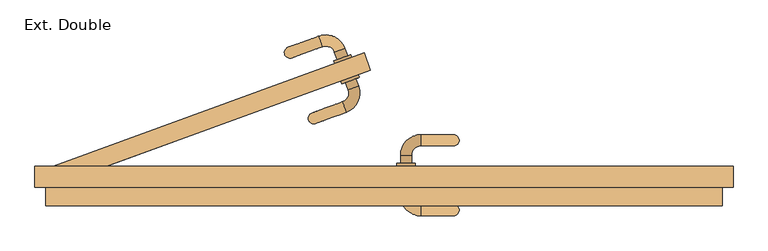
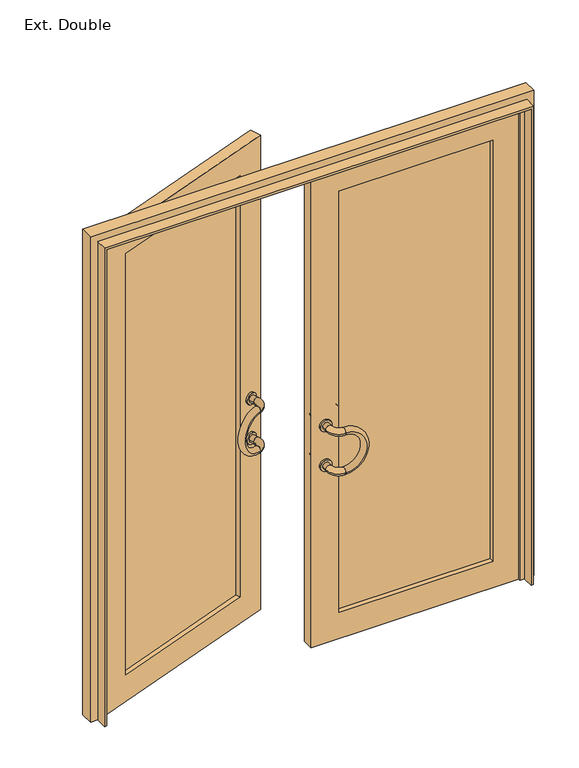
"""IFC4 building model written with IfcOpenShell, lengths in millimetres: door geometry, Ext. Double."""

from ifc_helpers import new_model, si_unit, point, frame, origin, place, context, project, spatial, polyline, circle_curve, ellipse_curve, trimmed, outline, extrude, faceted_brep, source, transform, mapped, element, save
from ifc_brep_helpers import plane_surface, cylinder_surface, revolved_surface, advanced_brep


def ext_double_711540b7(model_context):
    return source(origin(), model_context, "Body", "SolidModel", [
        advanced_brep(
        [(35.0, 213.0, 990.0), (65.0, 213.0, 990.0), (90.0, 268.0, 990.0), (90.0, 238.0, 990.0)],
        [
            (0, 1, circle_curve(frame((50.0, 213.0, 990.0), z_axis=(0.0, -1.0, 0.0), x_axis=(1.0, 0.0, 0.0)), 15.0)),
            (1, 0, circle_curve(frame((50.0, 213.0, 990.0), z_axis=(0.0, -1.0, 0.0), x_axis=(1.0, 0.0, 0.0)), 15.0)),
            (2, 3, circle_curve(frame((90.0, 253.0, 990.0), z_axis=(1.0, 0.0, 0.0), x_axis=(0.0, -1.0, 0.0)), 15.0)),
            (3, 2, circle_curve(frame((90.0, 253.0, 990.0), z_axis=(1.0, 0.0, 0.0), x_axis=(0.0, -1.0, 0.0)), 15.0)),
            (2, 0, circle_curve(frame((90.0, 213.0, 990.0), z_axis=(0.0, 0.0, 1.0), x_axis=(-1.0, 0.0, 0.0)), 55.0)),
            (1, 3, circle_curve(frame((90.0, 213.0, 990.0), z_axis=(0.0, 0.0, -1.0), x_axis=(-1.0, 0.0, 0.0)), 25.0)),
        ],
        [
            plane_surface(frame((90.0, 213.0, 990.0), z_axis=(0.0, -1.0, 0.0), x_axis=(-1.0, 0.0, 0.0))),
            plane_surface(frame((90.0, 213.0, 990.0), z_axis=(1.0, 0.0, 0.0), x_axis=(0.0, 1.0, 0.0))),
            revolved_surface(trimmed(ellipse_curve(frame((50.0, 213.0, 990.0), z_axis=(0.0, 1.0, 0.0), x_axis=(1.0, 0.0, 0.0)), 15.0, 15.0), [point((35.0, 213.0, 990.0))], [point((65.0, 213.0, 990.0))], True, "CARTESIAN"), (90.0, 213.0, 990.0), (0.0, 0.0, 1.0)),
            revolved_surface(trimmed(ellipse_curve(frame((50.0, 213.0, 990.0), z_axis=(0.0, 1.0, 0.0), x_axis=(1.0, 0.0, 0.0)), 15.0, 15.0), [point((65.0, 213.0, 990.0))], [point((35.0, 213.0, 990.0))], True, "CARTESIAN"), (90.0, 213.0, 990.0), (0.0, 0.0, 1.0)),
        ],
        [
            (0, [[1, 2]]),
            (1, [[3, 4]]),
            (2, [[-3, 5, -2, 6]]),
            (3, [[-4, -6, -1, -5]]),
        ],
    ),
        advanced_brep(
        [(35.0, 213.0, 810.0), (65.0, 213.0, 810.0), (90.0, 268.0, 810.0), (90.0, 238.0, 810.0)],
        [
            (0, 1, circle_curve(frame((50.0, 213.0, 810.0), z_axis=(0.0, -1.0, 0.0), x_axis=(1.0, 0.0, 0.0)), 15.0)),
            (1, 0, circle_curve(frame((50.0, 213.0, 810.0), z_axis=(0.0, -1.0, 0.0), x_axis=(1.0, 0.0, 0.0)), 15.0)),
            (2, 3, circle_curve(frame((90.0, 253.0, 810.0), z_axis=(1.0, 0.0, 0.0), x_axis=(0.0, -1.0, 0.0)), 15.0)),
            (3, 2, circle_curve(frame((90.0, 253.0, 810.0), z_axis=(1.0, 0.0, 0.0), x_axis=(0.0, -1.0, 0.0)), 15.0)),
            (2, 0, circle_curve(frame((90.0, 213.0, 810.0), z_axis=(0.0, 0.0, 1.0), x_axis=(-1.0, 0.0, 0.0)), 55.0)),
            (1, 3, circle_curve(frame((90.0, 213.0, 810.0), z_axis=(0.0, 0.0, -1.0), x_axis=(-1.0, 0.0, 0.0)), 25.0)),
        ],
        [
            plane_surface(frame((90.0, 213.0, 990.0), z_axis=(0.0, -1.0, 0.0), x_axis=(-1.0, 0.0, 0.0))),
            plane_surface(frame((90.0, 213.0, 990.0), z_axis=(1.0, 0.0, 0.0), x_axis=(0.0, 1.0, 0.0))),
            revolved_surface(trimmed(ellipse_curve(frame((50.0, 213.0, 810.0), z_axis=(0.0, 1.0, 0.0), x_axis=(1.0, 0.0, 0.0)), 15.0, 15.0), [point((35.0, 213.0, 810.0))], [point((65.0, 213.0, 810.0))], True, "CARTESIAN"), (90.0, 213.0, 990.0), (0.0, 0.0, 1.0)),
            revolved_surface(trimmed(ellipse_curve(frame((50.0, 213.0, 810.0), z_axis=(0.0, 1.0, 0.0), x_axis=(1.0, 0.0, 0.0)), 15.0, 15.0), [point((65.0, 213.0, 810.0))], [point((35.0, 213.0, 810.0))], True, "CARTESIAN"), (90.0, 213.0, 990.0), (0.0, 0.0, 1.0)),
        ],
        [
            (0, [[1, 2]]),
            (1, [[3, 4]]),
            (2, [[-3, 5, -2, 6]]),
            (3, [[-4, -6, -1, -5]]),
        ],
    ),
        advanced_brep(
        [(90.0, 238.0, 990.0), (90.0, 268.0, 990.0), (90.0, 238.0, 810.0), (90.0, 268.0, 810.0)],
        [
            (0, 1, circle_curve(frame((90.0, 253.0, 990.0), z_axis=(-1.0, 0.0, 0.0), x_axis=(0.0, 1.0, 0.0)), 15.0)),
            (1, 0, circle_curve(frame((90.0, 253.0, 990.0), z_axis=(-1.0, 0.0, 0.0), x_axis=(0.0, 1.0, 0.0)), 15.0)),
            (2, 3, circle_curve(frame((90.0, 253.0, 810.0), z_axis=(-1.0, 0.0, 0.0), x_axis=(0.0, 1.0, 0.0)), 15.0)),
            (3, 2, circle_curve(frame((90.0, 253.0, 810.0), z_axis=(-1.0, 0.0, 0.0), x_axis=(0.0, 1.0, 0.0)), 15.0)),
            (2, 0, circle_curve(frame((90.0, 238.0, 900.0), z_axis=(0.0, -1.0, 0.0), x_axis=(0.0, 0.0, 1.0)), 90.0)),
            (1, 3, circle_curve(frame((90.0, 268.0, 900.0), z_axis=(0.0, 1.0, 0.0), x_axis=(0.0, 0.0, 1.0)), 90.0)),
        ],
        [
            plane_surface(frame((90.0, 268.0, 900.0), z_axis=(-1.0, 0.0, 0.0), x_axis=(0.0, 0.0, 1.0))),
            plane_surface(frame((90.0, 268.0, 900.0), z_axis=(-1.0, 0.0, 0.0), x_axis=(0.0, 0.0, -1.0))),
            revolved_surface(trimmed(ellipse_curve(frame((90.0, 253.0, 990.0), z_axis=(1.0, 0.0, 0.0), x_axis=(0.0, 1.0, 0.0)), 15.0, 15.0), [point((90.0, 238.0, 990.0))], [point((90.0, 268.0, 990.0))], True, "CARTESIAN"), (90.0, 268.0, 900.0), (0.0, -1.0, 0.0)),
            revolved_surface(trimmed(ellipse_curve(frame((90.0, 253.0, 990.0), z_axis=(1.0, 0.0, 0.0), x_axis=(0.0, 1.0, 0.0)), 15.0, 15.0), [point((90.0, 268.0, 990.0))], [point((90.0, 238.0, 990.0))], True, "CARTESIAN"), (90.0, 268.0, 900.0), (0.0, -1.0, 0.0)),
        ],
        [
            (0, [[1, 2]]),
            (1, [[3, 4]]),
            (2, [[-3, 5, -2, 6]]),
            (3, [[-4, -6, -1, -5]]),
        ],
    ),
        advanced_brep(
        [(65.0, 103.0, 990.0), (35.0, 103.0, 990.0), (90.0, 78.0, 990.0), (90.0, 48.0, 990.0)],
        [
            (0, 1, circle_curve(frame((50.0, 103.0, 990.0), z_axis=(0.0, 1.0, 0.0), x_axis=(-1.0, 0.0, 0.0)), 15.0)),
            (1, 0, circle_curve(frame((50.0, 103.0, 990.0), z_axis=(0.0, 1.0, 0.0), x_axis=(-1.0, 0.0, 0.0)), 15.0)),
            (2, 3, circle_curve(frame((90.0, 63.0, 990.0), z_axis=(1.0, 0.0, 0.0), x_axis=(0.0, -1.0, 0.0)), 15.0)),
            (3, 2, circle_curve(frame((90.0, 63.0, 990.0), z_axis=(1.0, 0.0, 0.0), x_axis=(0.0, -1.0, 0.0)), 15.0)),
            (2, 0, circle_curve(frame((90.0, 103.0, 990.0), z_axis=(0.0, 0.0, -1.0), x_axis=(-1.0, 0.0, 0.0)), 25.0)),
            (1, 3, circle_curve(frame((90.0, 103.0, 990.0), z_axis=(0.0, 0.0, 1.0), x_axis=(-1.0, 0.0, 0.0)), 55.0)),
        ],
        [
            plane_surface(frame((90.0, 103.0, 990.0), z_axis=(0.0, 1.0, 0.0), x_axis=(-1.0, 0.0, 0.0))),
            plane_surface(frame((90.0, 103.0, 990.0), z_axis=(1.0, 0.0, 0.0), x_axis=(0.0, -1.0, 0.0))),
            revolved_surface(trimmed(ellipse_curve(frame((50.0, 103.0, 990.0), z_axis=(0.0, -1.0, 0.0), x_axis=(-1.0, 0.0, 0.0)), 15.0, 15.0), [point((65.0, 103.0, 990.0))], [point((35.0, 103.0, 990.0))], True, "CARTESIAN"), (90.0, 103.0, 990.0), (0.0, 0.0, -1.0)),
            revolved_surface(trimmed(ellipse_curve(frame((50.0, 103.0, 990.0), z_axis=(0.0, -1.0, 0.0), x_axis=(-1.0, 0.0, 0.0)), 15.0, 15.0), [point((35.0, 103.0, 990.0))], [point((65.0, 103.0, 990.0))], True, "CARTESIAN"), (90.0, 103.0, 990.0), (0.0, 0.0, -1.0)),
        ],
        [
            (0, [[1, 2]]),
            (1, [[3, 4]]),
            (2, [[-3, 5, -2, 6]]),
            (3, [[-4, -6, -1, -5]]),
        ],
    ),
        advanced_brep(
        [(65.0, 103.0, 810.0), (35.0, 103.0, 810.0), (90.0, 78.0, 810.0), (90.0, 48.0, 810.0)],
        [
            (0, 1, circle_curve(frame((50.0, 103.0, 810.0), z_axis=(0.0, 1.0, 0.0), x_axis=(-1.0, 0.0, 0.0)), 15.0)),
            (1, 0, circle_curve(frame((50.0, 103.0, 810.0), z_axis=(0.0, 1.0, 0.0), x_axis=(-1.0, 0.0, 0.0)), 15.0)),
            (2, 3, circle_curve(frame((90.0, 63.0, 810.0), z_axis=(1.0, 0.0, 0.0), x_axis=(0.0, -1.0, 0.0)), 15.0)),
            (3, 2, circle_curve(frame((90.0, 63.0, 810.0), z_axis=(1.0, 0.0, 0.0), x_axis=(0.0, -1.0, 0.0)), 15.0)),
            (2, 0, circle_curve(frame((90.0, 103.0, 810.0), z_axis=(0.0, 0.0, -1.0), x_axis=(-1.0, 0.0, 0.0)), 25.0)),
            (1, 3, circle_curve(frame((90.0, 103.0, 810.0), z_axis=(0.0, 0.0, 1.0), x_axis=(-1.0, 0.0, 0.0)), 55.0)),
        ],
        [
            plane_surface(frame((90.0, 103.0, 990.0), z_axis=(0.0, 1.0, 0.0), x_axis=(-1.0, 0.0, 0.0))),
            plane_surface(frame((90.0, 103.0, 990.0), z_axis=(1.0, 0.0, 0.0), x_axis=(0.0, -1.0, 0.0))),
            revolved_surface(trimmed(ellipse_curve(frame((50.0, 103.0, 810.0), z_axis=(0.0, -1.0, 0.0), x_axis=(-1.0, 0.0, 0.0)), 15.0, 15.0), [point((65.0, 103.0, 810.0))], [point((35.0, 103.0, 810.0))], True, "CARTESIAN"), (90.0, 103.0, 990.0), (0.0, 0.0, -1.0)),
            revolved_surface(trimmed(ellipse_curve(frame((50.0, 103.0, 810.0), z_axis=(0.0, -1.0, 0.0), x_axis=(-1.0, 0.0, 0.0)), 15.0, 15.0), [point((35.0, 103.0, 810.0))], [point((65.0, 103.0, 810.0))], True, "CARTESIAN"), (90.0, 103.0, 990.0), (0.0, 0.0, -1.0)),
        ],
        [
            (0, [[1, 2]]),
            (1, [[3, 4]]),
            (2, [[-3, 5, -2, 6]]),
            (3, [[-4, -6, -1, -5]]),
        ],
    ),
        advanced_brep(
        [(90.0, 48.0, 990.0), (90.0, 78.0, 990.0), (90.0, 48.0, 810.0), (90.0, 78.0, 810.0)],
        [
            (0, 1, circle_curve(frame((90.0, 63.0, 990.0), z_axis=(-1.0, 0.0, 0.0), x_axis=(0.0, 1.0, 0.0)), 15.0)),
            (1, 0, circle_curve(frame((90.0, 63.0, 990.0), z_axis=(-1.0, 0.0, 0.0), x_axis=(0.0, 1.0, 0.0)), 15.0)),
            (2, 3, circle_curve(frame((90.0, 63.0, 810.0), z_axis=(-1.0, 0.0, 0.0), x_axis=(0.0, 1.0, 0.0)), 15.0)),
            (3, 2, circle_curve(frame((90.0, 63.0, 810.0), z_axis=(-1.0, 0.0, 0.0), x_axis=(0.0, 1.0, 0.0)), 15.0)),
            (2, 0, circle_curve(frame((90.0, 48.0, 900.0), z_axis=(0.0, -1.0, 0.0), x_axis=(0.0, 0.0, 1.0)), 90.0)),
            (1, 3, circle_curve(frame((90.0, 78.0, 900.0), z_axis=(0.0, 1.0, 0.0), x_axis=(0.0, 0.0, 1.0)), 90.0)),
        ],
        [
            plane_surface(frame((90.0, 63.0, 900.0), z_axis=(-1.0, 0.0, 0.0), x_axis=(0.0, 0.0, 1.0))),
            plane_surface(frame((90.0, 63.0, 900.0), z_axis=(-1.0, 0.0, 0.0), x_axis=(0.0, 0.0, -1.0))),
            revolved_surface(trimmed(ellipse_curve(frame((90.0, 63.0, 990.0), z_axis=(1.0, 0.0, 0.0), x_axis=(0.0, 1.0, 0.0)), 15.0, 15.0), [point((90.0, 48.0, 990.0))], [point((90.0, 78.0, 990.0))], True, "CARTESIAN"), (90.0, 63.0, 900.0), (0.0, -1.0, 0.0)),
            revolved_surface(trimmed(ellipse_curve(frame((90.0, 63.0, 990.0), z_axis=(1.0, 0.0, 0.0), x_axis=(0.0, 1.0, 0.0)), 15.0, 15.0), [point((90.0, 78.0, 990.0))], [point((90.0, 48.0, 990.0))], True, "CARTESIAN"), (90.0, 63.0, 900.0), (0.0, -1.0, 0.0)),
        ],
        [
            (0, [[1, 2]]),
            (1, [[3, 4]]),
            (2, [[-3, 5, -2, 6]]),
            (3, [[-4, -6, -1, -5]]),
        ],
    ),
        advanced_brep(
        [(25.0, 191.0, 990.0), (75.0, 191.0, 990.0), (65.0, 191.0, 990.0), (35.0, 191.0, 990.0), (25.0, 183.0, 990.0), (75.0, 183.0, 990.0), (35.0, 213.0, 990.0), (65.0, 213.0, 990.0)],
        [
            (0, 1, circle_curve(frame((50.0, 191.0, 990.0), z_axis=(0.0, 1.0, 0.0), x_axis=(1.0, 0.0, 0.0)), 25.0)),
            (1, 0, circle_curve(frame((50.0, 191.0, 990.0), z_axis=(0.0, 1.0, 0.0), x_axis=(1.0, 0.0, 0.0)), 25.0)),
            (2, 3, circle_curve(frame((50.0, 191.0, 990.0), z_axis=(0.0, -1.0, 0.0), x_axis=(1.0, 0.0, 0.0)), 15.0)),
            (3, 2, circle_curve(frame((50.0, 191.0, 990.0), z_axis=(0.0, -1.0, 0.0), x_axis=(1.0, 0.0, 0.0)), 15.0)),
            (4, 5, circle_curve(frame((50.0, 183.0, 990.0), z_axis=(0.0, -1.0, 0.0), x_axis=(1.0, 0.0, 0.0)), 25.0)),
            (5, 4, circle_curve(frame((50.0, 183.0, 990.0), z_axis=(0.0, -1.0, 0.0), x_axis=(1.0, 0.0, 0.0)), 25.0)),
            (1, 5),
            (4, 0),
            (6, 7, circle_curve(frame((50.0, 213.0, 990.0), z_axis=(0.0, 1.0, 0.0), x_axis=(1.0, 0.0, 0.0)), 15.0)),
            (7, 6, circle_curve(frame((50.0, 213.0, 990.0), z_axis=(0.0, 1.0, 0.0), x_axis=(1.0, 0.0, 0.0)), 15.0)),
            (7, 2),
            (3, 6),
        ],
        [
            plane_surface(frame((75.0, 191.0, 990.0), z_axis=(0.0, 1.0, 0.0), x_axis=(0.0, 0.0, 1.0))),
            plane_surface(frame((75.0, 183.0, 990.0), z_axis=(0.0, -1.0, 0.0), x_axis=(0.0, 0.0, -1.0))),
            cylinder_surface(frame((50.0, 183.0, 990.0), z_axis=(0.0, 1.0, 0.0), x_axis=(1.0, 0.0, 0.0)), 25.0),
            plane_surface(frame((65.0, 213.0, 990.0), z_axis=(0.0, 1.0, 0.0), x_axis=(0.0, 0.0, 1.0))),
            cylinder_surface(frame((50.0, 183.0, 990.0), z_axis=(0.0, 1.0, 0.0), x_axis=(1.0, 0.0, 0.0)), 15.0),
        ],
        [
            (0, [[1, 2], [3, 4]]),
            (1, [[5, 6]]),
            (2, [[7, -5, 8, -2]]),
            (2, [[-8, -6, -7, -1]]),
            (3, [[9, 10]]),
            (4, [[11, -4, 12, -10]]),
            (4, [[-12, -3, -11, -9]]),
        ],
    ),
        advanced_brep(
        [(25.0, 191.0, 810.0), (75.0, 191.0, 810.0), (65.0, 191.0, 810.0), (35.0, 191.0, 810.0), (25.0, 183.0, 810.0), (75.0, 183.0, 810.0), (35.0, 213.0, 810.0), (65.0, 213.0, 810.0)],
        [
            (0, 1, circle_curve(frame((50.0, 191.0, 810.0), z_axis=(0.0, 1.0, 0.0), x_axis=(1.0, 0.0, 0.0)), 25.0)),
            (1, 0, circle_curve(frame((50.0, 191.0, 810.0), z_axis=(0.0, 1.0, 0.0), x_axis=(1.0, 0.0, 0.0)), 25.0)),
            (2, 3, circle_curve(frame((50.0, 191.0, 810.0), z_axis=(0.0, -1.0, 0.0), x_axis=(1.0, 0.0, 0.0)), 15.0)),
            (3, 2, circle_curve(frame((50.0, 191.0, 810.0), z_axis=(0.0, -1.0, 0.0), x_axis=(1.0, 0.0, 0.0)), 15.0)),
            (4, 5, circle_curve(frame((50.0, 183.0, 810.0), z_axis=(0.0, -1.0, 0.0), x_axis=(1.0, 0.0, 0.0)), 25.0)),
            (5, 4, circle_curve(frame((50.0, 183.0, 810.0), z_axis=(0.0, -1.0, 0.0), x_axis=(1.0, 0.0, 0.0)), 25.0)),
            (1, 5),
            (4, 0),
            (6, 7, circle_curve(frame((50.0, 213.0, 810.0), z_axis=(0.0, 1.0, 0.0), x_axis=(1.0, 0.0, 0.0)), 15.0)),
            (7, 6, circle_curve(frame((50.0, 213.0, 810.0), z_axis=(0.0, 1.0, 0.0), x_axis=(1.0, 0.0, 0.0)), 15.0)),
            (7, 2),
            (3, 6),
        ],
        [
            plane_surface(frame((75.0, 191.0, 990.0), z_axis=(0.0, 1.0, 0.0), x_axis=(0.0, 0.0, 1.0))),
            plane_surface(frame((75.0, 183.0, 990.0), z_axis=(0.0, -1.0, 0.0), x_axis=(0.0, 0.0, -1.0))),
            cylinder_surface(frame((50.0, 183.0, 810.0), z_axis=(0.0, 1.0, 0.0), x_axis=(1.0, 0.0, 0.0)), 25.0),
            plane_surface(frame((65.0, 213.0, 990.0), z_axis=(0.0, 1.0, 0.0), x_axis=(0.0, 0.0, 1.0))),
            cylinder_surface(frame((50.0, 183.0, 810.0), z_axis=(0.0, 1.0, 0.0), x_axis=(1.0, 0.0, 0.0)), 15.0),
        ],
        [
            (0, [[1, 2], [3, 4]]),
            (1, [[5, 6]]),
            (2, [[7, -5, 8, -2]]),
            (2, [[-8, -6, -7, -1]]),
            (3, [[9, 10]]),
            (4, [[11, -4, 12, -10]]),
            (4, [[-12, -3, -11, -9]]),
        ],
    ),
        advanced_brep(
        [(25.0, 133.0, 810.0), (75.0, 133.0, 810.0), (25.0, 125.0, 810.0), (75.0, 125.0, 810.0), (35.0, 125.0, 810.0), (65.0, 125.0, 810.0), (35.0, 103.0, 810.0), (65.0, 103.0, 810.0)],
        [
            (0, 1, circle_curve(frame((50.0, 133.0, 810.0), z_axis=(0.0, 1.0, 0.0), x_axis=(1.0, 0.0, 0.0)), 25.0)),
            (1, 0, circle_curve(frame((50.0, 133.0, 810.0), z_axis=(0.0, 1.0, 0.0), x_axis=(1.0, 0.0, 0.0)), 25.0)),
            (2, 3, circle_curve(frame((50.0, 125.0, 810.0), z_axis=(0.0, -1.0, 0.0), x_axis=(1.0, 0.0, 0.0)), 25.0)),
            (3, 2, circle_curve(frame((50.0, 125.0, 810.0), z_axis=(0.0, -1.0, 0.0), x_axis=(1.0, 0.0, 0.0)), 25.0)),
            (4, 5, circle_curve(frame((50.0, 125.0, 810.0), z_axis=(0.0, 1.0, 0.0), x_axis=(1.0, 0.0, 0.0)), 15.0)),
            (5, 4, circle_curve(frame((50.0, 125.0, 810.0), z_axis=(0.0, 1.0, 0.0), x_axis=(1.0, 0.0, 0.0)), 15.0)),
            (1, 3),
            (2, 0),
            (6, 7, circle_curve(frame((50.0, 103.0, 810.0), z_axis=(0.0, -1.0, 0.0), x_axis=(1.0, 0.0, 0.0)), 15.0)),
            (7, 6, circle_curve(frame((50.0, 103.0, 810.0), z_axis=(0.0, -1.0, 0.0), x_axis=(1.0, 0.0, 0.0)), 15.0)),
            (6, 4),
            (5, 7),
        ],
        [
            plane_surface(frame((75.0, 133.0, 990.0), z_axis=(0.0, 1.0, 0.0), x_axis=(0.0, 0.0, 1.0))),
            plane_surface(frame((75.0, 125.0, 990.0), z_axis=(0.0, -1.0, 0.0), x_axis=(0.0, 0.0, -1.0))),
            cylinder_surface(frame((50.0, 133.0, 810.0), z_axis=(0.0, 1.0, 0.0), x_axis=(1.0, 0.0, 0.0)), 25.0),
            plane_surface(frame((65.0, 103.0, 990.0), z_axis=(0.0, -1.0, 0.0), x_axis=(0.0, 0.0, -1.0))),
            cylinder_surface(frame((50.0, 133.0, 810.0), z_axis=(0.0, 1.0, 0.0), x_axis=(1.0, 0.0, 0.0)), 15.0),
        ],
        [
            (0, [[1, 2]]),
            (1, [[3, 4], [5, 6]]),
            (2, [[7, -3, 8, -2]]),
            (2, [[-8, -4, -7, -1]]),
            (3, [[9, 10]]),
            (4, [[11, -6, 12, -9]]),
            (4, [[-12, -5, -11, -10]]),
        ],
    ),
        advanced_brep(
        [(25.0, 133.0, 990.0), (75.0, 133.0, 990.0), (25.0, 125.0, 990.0), (75.0, 125.0, 990.0), (35.0, 125.0, 990.0), (65.0, 125.0, 990.0), (35.0, 103.0, 990.0), (65.0, 103.0, 990.0)],
        [
            (0, 1, circle_curve(frame((50.0, 133.0, 990.0), z_axis=(0.0, 1.0, 0.0), x_axis=(1.0, 0.0, 0.0)), 25.0)),
            (1, 0, circle_curve(frame((50.0, 133.0, 990.0), z_axis=(0.0, 1.0, 0.0), x_axis=(1.0, 0.0, 0.0)), 25.0)),
            (2, 3, circle_curve(frame((50.0, 125.0, 990.0), z_axis=(0.0, -1.0, 0.0), x_axis=(1.0, 0.0, 0.0)), 25.0)),
            (3, 2, circle_curve(frame((50.0, 125.0, 990.0), z_axis=(0.0, -1.0, 0.0), x_axis=(1.0, 0.0, 0.0)), 25.0)),
            (4, 5, circle_curve(frame((50.0, 125.0, 990.0), z_axis=(0.0, 1.0, 0.0), x_axis=(1.0, 0.0, 0.0)), 15.0)),
            (5, 4, circle_curve(frame((50.0, 125.0, 990.0), z_axis=(0.0, 1.0, 0.0), x_axis=(1.0, 0.0, 0.0)), 15.0)),
            (1, 3),
            (2, 0),
            (6, 7, circle_curve(frame((50.0, 103.0, 990.0), z_axis=(0.0, -1.0, 0.0), x_axis=(1.0, 0.0, 0.0)), 15.0)),
            (7, 6, circle_curve(frame((50.0, 103.0, 990.0), z_axis=(0.0, -1.0, 0.0), x_axis=(1.0, 0.0, 0.0)), 15.0)),
            (6, 4),
            (5, 7),
        ],
        [
            plane_surface(frame((75.0, 133.0, 990.0), z_axis=(0.0, 1.0, 0.0), x_axis=(0.0, 0.0, 1.0))),
            plane_surface(frame((75.0, 125.0, 990.0), z_axis=(0.0, -1.0, 0.0), x_axis=(0.0, 0.0, -1.0))),
            cylinder_surface(frame((50.0, 125.0, 990.0), z_axis=(0.0, 1.0, 0.0), x_axis=(1.0, 0.0, 0.0)), 25.0),
            plane_surface(frame((65.0, 103.0, 990.0), z_axis=(0.0, -1.0, 0.0), x_axis=(0.0, 0.0, -1.0))),
            cylinder_surface(frame((50.0, 103.0, 990.0), z_axis=(0.0, 1.0, 0.0), x_axis=(1.0, 0.0, 0.0)), 15.0),
        ],
        [
            (0, [[1, 2]]),
            (1, [[3, 4], [5, 6]]),
            (2, [[7, -3, 8, -2]]),
            (2, [[-8, -4, -7, -1]]),
            (3, [[9, 10]]),
            (4, [[11, -6, 12, -9]]),
            (4, [[-12, -5, -11, -10]]),
        ],
    ),
        extrude(outline(polyline([(110.0, 153.0), (110.0, 163.0), (770.0, 163.0), (770.0, 153.0), (110.0, 153.0)])), frame((0.0, 0.0, 120.0), z_axis=(0.0, 0.0, 1.0), x_axis=(1.0, 0.0, 0.0)), (0.0, 0.0, 1.0), 1910.0),
        extrude(outline(polyline([(2150.0, -10.0), (0.0, -10.0), (0.0, 890.0), (2150.0, 890.0), (2150.0, -10.0)]), holes=[polyline([(2030.0, 770.0), (120.0, 770.0), (120.0, 110.0), (2030.0, 110.0), (2030.0, 770.0)])]), frame((0.0, 133.0, 0.0), z_axis=(0.0, 1.0, 0.0), x_axis=(0.0, 0.0, 1.0)), (0.0, 0.0, 1.0), 50.0),
        advanced_brep(
        [(-116.8234135, 503.6180012, 990.0), (-145.0141922, 493.3573969, 990.0), (-187.3176156, 536.4899874, 990.0), (-177.0570113, 508.2992088, 990.0)],
        [
            (0, 1, circle_curve(frame((-130.9188028, 498.487699, 990.0), z_axis=(0.34202014332566416, -0.9396926207859104, 0.0), x_axis=(-0.9396926207859102, -0.3420201433256641, 0.0)), 15.0)),
            (1, 0, circle_curve(frame((-130.9188028, 498.487699, 990.0), z_axis=(0.34202014332566416, -0.9396926207859104, 0.0), x_axis=(-0.9396926207859102, -0.3420201433256641, 0.0)), 15.0)),
            (2, 3, circle_curve(frame((-182.1873134, 522.3945981, 990.0), z_axis=(-0.9396926207859108, -0.3420201433256624, 0.0), x_axis=(0.34202014332566244, -0.939692620785911, 0.0)), 15.0)),
            (3, 2, circle_curve(frame((-182.1873134, 522.3945981, 990.0), z_axis=(-0.9396926207859108, -0.3420201433256624, 0.0), x_axis=(0.34202014332566244, -0.939692620785911, 0.0)), 15.0)),
            (3, 1, circle_curve(frame((-168.5065077, 484.8068933, 990.0), z_axis=(0.0, 0.0, -1.0), x_axis=(0.939692620785908, 0.34202014332567016, 0.0)), 25.0)),
            (0, 2, circle_curve(frame((-168.5065077, 484.8068933, 990.0), z_axis=(0.0, 0.0, 1.0), x_axis=(0.939692620785908, 0.34202014332567016, 0.0)), 55.0)),
        ],
        [
            plane_surface(frame((-168.5065077, 484.8068933, 990.0), z_axis=(0.34202014332567016, -0.939692620785908, 0.0), x_axis=(0.939692620785908, 0.34202014332567016, 0.0))),
            plane_surface(frame((-168.5065077, 484.8068933, 990.0), z_axis=(-0.9396926207859086, -0.3420201433256684, 0.0), x_axis=(-0.3420201433256684, 0.9396926207859086, 0.0))),
            revolved_surface(trimmed(ellipse_curve(frame((-130.9188028, 498.487699, 990.0), z_axis=(0.34202014332566416, -0.9396926207859104, 0.0), x_axis=(-0.9396926207859102, -0.3420201433256641, 0.0)), 15.0, 15.0), [point((-116.8234135, 503.6180012, 990.0))], [point((-145.0141922, 493.3573969, 990.0))], True, "CARTESIAN"), (-168.5065077, 484.8068933, 990.0), (0.0, 0.0, 1.0000000000000002)),
            revolved_surface(trimmed(ellipse_curve(frame((-130.9188028, 498.487699, 990.0), z_axis=(0.34202014332566416, -0.9396926207859104, 0.0), x_axis=(-0.9396926207859102, -0.3420201433256641, 0.0)), 15.0, 15.0), [point((-145.0141922, 493.3573969, 990.0))], [point((-116.8234135, 503.6180012, 990.0))], True, "CARTESIAN"), (-168.5065077, 484.8068933, 990.0), (0.0, 0.0, 1.0000000000000002)),
        ],
        [
            (0, [[1, 2]]),
            (1, [[3, 4]]),
            (2, [[5, -1, 6, -4]]),
            (3, [[-6, -2, -5, -3]]),
        ],
    ),
        advanced_brep(
        [(-116.8234135, 503.6180012, 810.0), (-145.0141922, 493.3573969, 810.0), (-187.3176156, 536.4899874, 810.0), (-177.0570113, 508.2992088, 810.0)],
        [
            (0, 1, circle_curve(frame((-130.9188028, 498.487699, 810.0), z_axis=(0.34202014332566416, -0.9396926207859104, 0.0), x_axis=(-0.9396926207859102, -0.3420201433256641, 0.0)), 15.0)),
            (1, 0, circle_curve(frame((-130.9188028, 498.487699, 810.0), z_axis=(0.34202014332566416, -0.9396926207859104, 0.0), x_axis=(-0.9396926207859102, -0.3420201433256641, 0.0)), 15.0)),
            (2, 3, circle_curve(frame((-182.1873134, 522.3945981, 810.0), z_axis=(-0.9396926207859108, -0.3420201433256624, 0.0), x_axis=(0.34202014332566244, -0.939692620785911, 0.0)), 15.0)),
            (3, 2, circle_curve(frame((-182.1873134, 522.3945981, 810.0), z_axis=(-0.9396926207859108, -0.3420201433256624, 0.0), x_axis=(0.34202014332566244, -0.939692620785911, 0.0)), 15.0)),
            (3, 1, circle_curve(frame((-168.5065077, 484.8068933, 810.0), z_axis=(0.0, 0.0, -1.0), x_axis=(0.939692620785908, 0.34202014332567016, 0.0)), 25.0)),
            (0, 2, circle_curve(frame((-168.5065077, 484.8068933, 810.0), z_axis=(0.0, 0.0, 1.0), x_axis=(0.939692620785908, 0.34202014332567016, 0.0)), 55.0)),
        ],
        [
            plane_surface(frame((-168.5065077, 484.8068933, 990.0), z_axis=(0.34202014332567016, -0.939692620785908, 0.0), x_axis=(0.939692620785908, 0.34202014332567016, 0.0))),
            plane_surface(frame((-168.5065077, 484.8068933, 990.0), z_axis=(-0.9396926207859086, -0.3420201433256684, 0.0), x_axis=(-0.3420201433256684, 0.9396926207859086, 0.0))),
            revolved_surface(trimmed(ellipse_curve(frame((-130.9188028, 498.487699, 810.0), z_axis=(0.34202014332566416, -0.9396926207859104, 0.0), x_axis=(-0.9396926207859102, -0.3420201433256641, 0.0)), 15.0, 15.0), [point((-116.8234135, 503.6180012, 810.0))], [point((-145.0141922, 493.3573969, 810.0))], True, "CARTESIAN"), (-168.5065077, 484.8068933, 990.0), (0.0, 0.0, 1.0000000000000002)),
            revolved_surface(trimmed(ellipse_curve(frame((-130.9188028, 498.487699, 810.0), z_axis=(0.34202014332566416, -0.9396926207859104, 0.0), x_axis=(-0.9396926207859102, -0.3420201433256641, 0.0)), 15.0, 15.0), [point((-145.0141922, 493.3573969, 810.0))], [point((-116.8234135, 503.6180012, 810.0))], True, "CARTESIAN"), (-168.5065077, 484.8068933, 990.0), (0.0, 0.0, 1.0000000000000002)),
        ],
        [
            (0, [[1, 2]]),
            (1, [[3, 4]]),
            (2, [[5, -1, 6, -4]]),
            (3, [[-6, -2, -5, -3]]),
        ],
    ),
        advanced_brep(
        [(-177.0570113, 508.2992088, 990.0), (-187.3176156, 536.4899874, 990.0), (-177.0570113, 508.2992088, 810.0), (-187.3176156, 536.4899874, 810.0)],
        [
            (0, 1, circle_curve(frame((-182.1873134, 522.3945981, 990.0), z_axis=(0.9396926207859086, 0.34202014332566844, 0.0), x_axis=(-0.3420201433256685, 0.9396926207859089, 0.0)), 15.0)),
            (1, 0, circle_curve(frame((-182.1873134, 522.3945981, 990.0), z_axis=(0.9396926207859086, 0.34202014332566844, 0.0), x_axis=(-0.3420201433256685, 0.9396926207859089, 0.0)), 15.0)),
            (2, 3, circle_curve(frame((-182.1873134, 522.3945981, 810.0), z_axis=(0.9396926207859086, 0.34202014332566844, 0.0), x_axis=(-0.3420201433256685, 0.9396926207859089, 0.0)), 15.0)),
            (3, 2, circle_curve(frame((-182.1873134, 522.3945981, 810.0), z_axis=(0.9396926207859086, 0.34202014332566844, 0.0), x_axis=(-0.3420201433256685, 0.9396926207859089, 0.0)), 15.0)),
            (3, 1, circle_curve(frame((-187.3176156, 536.4899874, 900.0), z_axis=(-0.34202014332566844, 0.9396926207859086, 0.0), x_axis=(0.0, 0.0, 1.0000000000000002)), 90.0)),
            (0, 2, circle_curve(frame((-177.0570113, 508.2992088, 900.0), z_axis=(0.34202014332566844, -0.9396926207859086, 0.0), x_axis=(0.0, 0.0, 1.0000000000000002)), 90.0)),
        ],
        [
            plane_surface(frame((-187.3176156, 536.4899874, 900.0), z_axis=(0.9396926207859086, 0.34202014332566844, 0.0), x_axis=(0.0, 0.0, 1.0))),
            plane_surface(frame((-187.3176156, 536.4899874, 900.0), z_axis=(0.9396926207859086, 0.34202014332566844, 0.0), x_axis=(0.0, 0.0, -1.0))),
            revolved_surface(trimmed(ellipse_curve(frame((-182.1873134, 522.3945981, 990.0), z_axis=(0.9396926207859086, 0.34202014332566844, 0.0), x_axis=(-0.3420201433256685, 0.9396926207859089, 0.0)), 15.0, 15.0), [point((-177.0570113, 508.2992088, 990.0))], [point((-187.3176156, 536.4899874, 990.0))], True, "CARTESIAN"), (-187.3176156, 536.4899874, 900.0), (0.3420201433256685, -0.9396926207859089, 0.0)),
            revolved_surface(trimmed(ellipse_curve(frame((-182.1873134, 522.3945981, 990.0), z_axis=(0.9396926207859086, 0.34202014332566844, 0.0), x_axis=(-0.3420201433256685, 0.9396926207859089, 0.0)), 15.0, 15.0), [point((-187.3176156, 536.4899874, 990.0))], [point((-177.0570113, 508.2992088, 990.0))], True, "CARTESIAN"), (-187.3176156, 536.4899874, 900.0), (0.3420201433256685, -0.9396926207859089, 0.0)),
        ],
        [
            (0, [[1, 2]]),
            (1, [[3, 4]]),
            (2, [[5, -1, 6, -4]]),
            (3, [[-6, -2, -5, -3]]),
        ],
    ),
        advanced_brep(
        [(-107.3919764, 389.9912086, 990.0), (-79.2011978, 400.2518129, 990.0), (-122.3337883, 357.9483895, 990.0), (-112.073184, 329.7576109, 990.0)],
        [
            (0, 1, circle_curve(frame((-93.2965871, 395.1215107, 990.0), z_axis=(-0.34202014332566977, 0.9396926207859084, 0.0), x_axis=(0.9396926207859082, 0.3420201433256697, 0.0)), 15.0)),
            (1, 0, circle_curve(frame((-93.2965871, 395.1215107, 990.0), z_axis=(-0.34202014332566977, 0.9396926207859084, 0.0), x_axis=(0.9396926207859082, 0.3420201433256697, 0.0)), 15.0)),
            (2, 3, circle_curve(frame((-117.2034862, 343.8530002, 990.0), z_axis=(-0.9396926207859078, -0.34202014332567104, 0.0), x_axis=(0.3420201433256711, -0.939692620785908, 0.0)), 15.0)),
            (3, 2, circle_curve(frame((-117.2034862, 343.8530002, 990.0), z_axis=(-0.9396926207859078, -0.34202014332567104, 0.0), x_axis=(0.3420201433256711, -0.939692620785908, 0.0)), 15.0)),
            (3, 1, circle_curve(frame((-130.8842919, 381.440705, 990.0), z_axis=(0.0, 0.0, 1.0), x_axis=(0.9396926207859082, 0.34202014332566977, 0.0)), 55.0)),
            (0, 2, circle_curve(frame((-130.8842919, 381.440705, 990.0), z_axis=(0.0, 0.0, -1.0), x_axis=(0.9396926207859082, 0.34202014332566977, 0.0)), 25.0)),
        ],
        [
            plane_surface(frame((-130.8842919, 381.440705, 990.0), z_axis=(-0.34202014332566977, 0.9396926207859081, 0.0), x_axis=(0.9396926207859081, 0.34202014332566977, 0.0))),
            plane_surface(frame((-130.8842919, 381.440705, 990.0), z_axis=(-0.9396926207859077, -0.34202014332567104, 0.0), x_axis=(0.34202014332567104, -0.9396926207859077, 0.0))),
            revolved_surface(trimmed(ellipse_curve(frame((-93.2965871, 395.1215107, 990.0), z_axis=(-0.34202014332566977, 0.9396926207859084, 0.0), x_axis=(0.9396926207859082, 0.3420201433256697, 0.0)), 15.0, 15.0), [point((-107.3919764, 389.9912086, 990.0))], [point((-79.2011978, 400.2518129, 990.0))], True, "CARTESIAN"), (-130.8842919, 381.440705, 990.0), (0.0, 0.0, -1.0000000000000002)),
            revolved_surface(trimmed(ellipse_curve(frame((-93.2965871, 395.1215107, 990.0), z_axis=(-0.34202014332566977, 0.9396926207859084, 0.0), x_axis=(0.9396926207859082, 0.3420201433256697, 0.0)), 15.0, 15.0), [point((-79.2011978, 400.2518129, 990.0))], [point((-107.3919764, 389.9912086, 990.0))], True, "CARTESIAN"), (-130.8842919, 381.440705, 990.0), (0.0, 0.0, -1.0000000000000002)),
        ],
        [
            (0, [[1, 2]]),
            (1, [[3, 4]]),
            (2, [[5, -1, 6, -4]]),
            (3, [[-6, -2, -5, -3]]),
        ],
    ),
        advanced_brep(
        [(-107.3919764, 389.9912086, 810.0), (-79.2011978, 400.2518129, 810.0), (-122.3337883, 357.9483895, 810.0), (-112.073184, 329.7576109, 810.0)],
        [
            (0, 1, circle_curve(frame((-93.2965871, 395.1215107, 810.0), z_axis=(-0.34202014332566977, 0.9396926207859084, 0.0), x_axis=(0.9396926207859082, 0.3420201433256697, 0.0)), 15.0)),
            (1, 0, circle_curve(frame((-93.2965871, 395.1215107, 810.0), z_axis=(-0.34202014332566977, 0.9396926207859084, 0.0), x_axis=(0.9396926207859082, 0.3420201433256697, 0.0)), 15.0)),
            (2, 3, circle_curve(frame((-117.2034862, 343.8530002, 810.0), z_axis=(-0.9396926207859078, -0.34202014332567104, 0.0), x_axis=(0.3420201433256711, -0.939692620785908, 0.0)), 15.0)),
            (3, 2, circle_curve(frame((-117.2034862, 343.8530002, 810.0), z_axis=(-0.9396926207859078, -0.34202014332567104, 0.0), x_axis=(0.3420201433256711, -0.939692620785908, 0.0)), 15.0)),
            (3, 1, circle_curve(frame((-130.8842919, 381.440705, 810.0), z_axis=(0.0, 0.0, 1.0), x_axis=(0.9396926207859082, 0.34202014332566977, 0.0)), 55.0)),
            (0, 2, circle_curve(frame((-130.8842919, 381.440705, 810.0), z_axis=(0.0, 0.0, -1.0), x_axis=(0.9396926207859082, 0.34202014332566977, 0.0)), 25.0)),
        ],
        [
            plane_surface(frame((-130.8842919, 381.440705, 990.0), z_axis=(-0.34202014332566977, 0.9396926207859081, 0.0), x_axis=(0.9396926207859081, 0.34202014332566977, 0.0))),
            plane_surface(frame((-130.8842919, 381.440705, 990.0), z_axis=(-0.9396926207859077, -0.34202014332567104, 0.0), x_axis=(0.34202014332567104, -0.9396926207859077, 0.0))),
            revolved_surface(trimmed(ellipse_curve(frame((-93.2965871, 395.1215107, 810.0), z_axis=(-0.34202014332566977, 0.9396926207859084, 0.0), x_axis=(0.9396926207859082, 0.3420201433256697, 0.0)), 15.0, 15.0), [point((-107.3919764, 389.9912086, 810.0))], [point((-79.2011978, 400.2518129, 810.0))], True, "CARTESIAN"), (-130.8842919, 381.440705, 990.0), (0.0, 0.0, -1.0000000000000002)),
            revolved_surface(trimmed(ellipse_curve(frame((-93.2965871, 395.1215107, 810.0), z_axis=(-0.34202014332566977, 0.9396926207859084, 0.0), x_axis=(0.9396926207859082, 0.3420201433256697, 0.0)), 15.0, 15.0), [point((-79.2011978, 400.2518129, 810.0))], [point((-107.3919764, 389.9912086, 810.0))], True, "CARTESIAN"), (-130.8842919, 381.440705, 990.0), (0.0, 0.0, -1.0000000000000002)),
        ],
        [
            (0, [[1, 2]]),
            (1, [[3, 4]]),
            (2, [[5, -1, 6, -4]]),
            (3, [[-6, -2, -5, -3]]),
        ],
    ),
        advanced_brep(
        [(-112.073184, 329.7576109, 990.0), (-122.3337883, 357.9483895, 990.0), (-112.073184, 329.7576109, 810.0), (-122.3337883, 357.9483895, 810.0)],
        [
            (0, 1, circle_curve(frame((-117.2034862, 343.8530002, 990.0), z_axis=(0.9396926207859098, 0.3420201433256654, 0.0), x_axis=(-0.34202014332566544, 0.93969262078591, 0.0)), 15.0)),
            (1, 0, circle_curve(frame((-117.2034862, 343.8530002, 990.0), z_axis=(0.9396926207859098, 0.3420201433256654, 0.0), x_axis=(-0.34202014332566544, 0.93969262078591, 0.0)), 15.0)),
            (2, 3, circle_curve(frame((-117.2034862, 343.8530002, 810.0), z_axis=(0.9396926207859098, 0.3420201433256654, 0.0), x_axis=(-0.34202014332566544, 0.93969262078591, 0.0)), 15.0)),
            (3, 2, circle_curve(frame((-117.2034862, 343.8530002, 810.0), z_axis=(0.9396926207859098, 0.3420201433256654, 0.0), x_axis=(-0.34202014332566544, 0.93969262078591, 0.0)), 15.0)),
            (3, 1, circle_curve(frame((-122.3337883, 357.9483895, 900.0), z_axis=(-0.34202014332566527, 0.9396926207859095, 0.0), x_axis=(0.0, 0.0, 1.0000000000000002)), 90.0)),
            (0, 2, circle_curve(frame((-112.073184, 329.7576109, 900.0), z_axis=(0.34202014332566527, -0.9396926207859095, 0.0), x_axis=(0.0, 0.0, 1.0000000000000002)), 90.0)),
        ],
        [
            plane_surface(frame((-117.2034862, 343.8530002, 900.0), z_axis=(0.9396926207859096, 0.3420201433256653, 0.0), x_axis=(0.0, 0.0, 1.0))),
            plane_surface(frame((-117.2034862, 343.8530002, 900.0), z_axis=(0.9396926207859096, 0.3420201433256653, 0.0), x_axis=(0.0, 0.0, -1.0))),
            revolved_surface(trimmed(ellipse_curve(frame((-117.2034862, 343.8530002, 990.0), z_axis=(0.9396926207859098, 0.3420201433256654, 0.0), x_axis=(-0.34202014332566544, 0.93969262078591, 0.0)), 15.0, 15.0), [point((-112.073184, 329.7576109, 990.0))], [point((-122.3337883, 357.9483895, 990.0))], True, "CARTESIAN"), (-117.2034862, 343.8530002, 900.0), (0.34202014332566544, -0.93969262078591, 0.0)),
            revolved_surface(trimmed(ellipse_curve(frame((-117.2034862, 343.8530002, 990.0), z_axis=(0.9396926207859098, 0.3420201433256654, 0.0), x_axis=(-0.34202014332566544, 0.93969262078591, 0.0)), 15.0, 15.0), [point((-122.3337883, 357.9483895, 990.0))], [point((-112.073184, 329.7576109, 990.0))], True, "CARTESIAN"), (-117.2034862, 343.8530002, 900.0), (0.34202014332566544, -0.93969262078591, 0.0)),
        ],
        [
            (0, [[1, 2]]),
            (1, [[3, 4]]),
            (2, [[5, -1, 6, -4]]),
            (3, [[-6, -2, -5, -3]]),
        ],
    ),
        advanced_brep(
        [(-99.9020442, 486.3649649, 990.0), (-146.8866752, 469.2639578, 990.0), (-137.489749, 472.6841592, 990.0), (-109.2989704, 482.9447635, 990.0), (-97.165883, 478.847424, 990.0), (-144.1505141, 461.7464168, 990.0), (-116.8234135, 503.6180012, 990.0), (-145.0141922, 493.3573969, 990.0)],
        [
            (0, 1, circle_curve(frame((-123.3943597, 477.8144614, 990.0), z_axis=(-0.34202014332566844, 0.9396926207859086, 0.0), x_axis=(-0.9396926207859086, -0.34202014332566844, 0.0)), 25.0)),
            (1, 0, circle_curve(frame((-123.3943597, 477.8144614, 990.0), z_axis=(-0.34202014332566844, 0.9396926207859086, 0.0), x_axis=(-0.9396926207859086, -0.34202014332566844, 0.0)), 25.0)),
            (2, 3, circle_curve(frame((-123.3943597, 477.8144614, 990.0), z_axis=(0.34202014332566844, -0.9396926207859086, 0.0), x_axis=(-0.9396926207859086, -0.34202014332566844, 0.0)), 15.0)),
            (3, 2, circle_curve(frame((-123.3943597, 477.8144614, 990.0), z_axis=(0.34202014332566844, -0.9396926207859086, 0.0), x_axis=(-0.9396926207859086, -0.34202014332566844, 0.0)), 15.0)),
            (4, 5, circle_curve(frame((-120.6581985, 470.2969204, 990.0), z_axis=(0.34202014332566844, -0.9396926207859086, 0.0), x_axis=(-0.9396926207859086, -0.34202014332566844, 0.0)), 25.0)),
            (5, 4, circle_curve(frame((-120.6581985, 470.2969204, 990.0), z_axis=(0.34202014332566844, -0.9396926207859086, 0.0), x_axis=(-0.9396926207859086, -0.34202014332566844, 0.0)), 25.0)),
            (0, 4),
            (5, 1),
            (6, 7, circle_curve(frame((-130.9188028, 498.487699, 990.0), z_axis=(-0.34202014332566844, 0.9396926207859086, 0.0), x_axis=(-0.9396926207859086, -0.34202014332566844, 0.0)), 15.0)),
            (7, 6, circle_curve(frame((-130.9188028, 498.487699, 990.0), z_axis=(-0.34202014332566844, 0.9396926207859086, 0.0), x_axis=(-0.9396926207859086, -0.34202014332566844, 0.0)), 15.0)),
            (6, 3),
            (2, 7),
        ],
        [
            plane_surface(frame((-146.8866752, 469.2639578, 990.0), z_axis=(-0.34202014332566844, 0.9396926207859086, 0.0), x_axis=(0.0, 0.0, 1.0))),
            plane_surface(frame((-144.1505141, 461.7464168, 990.0), z_axis=(0.34202014332566844, -0.9396926207859086, 0.0), x_axis=(0.0, 0.0, -1.0))),
            cylinder_surface(frame((-120.6581985, 470.2969204, 990.0), z_axis=(-0.3420201433256685, 0.9396926207859089, 0.0), x_axis=(-0.9396926207859086, -0.34202014332566844, 0.0)), 25.0),
            plane_surface(frame((-145.0141922, 493.3573969, 990.0), z_axis=(-0.34202014332566844, 0.9396926207859086, 0.0), x_axis=(0.0, 0.0, 1.0))),
            cylinder_surface(frame((-120.6581985, 470.2969204, 990.0), z_axis=(-0.3420201433256685, 0.9396926207859089, 0.0), x_axis=(-0.9396926207859086, -0.34202014332566844, 0.0)), 15.0),
        ],
        [
            (0, [[1, 2], [3, 4]]),
            (1, [[5, 6]]),
            (2, [[-1, 7, -6, 8]]),
            (2, [[-2, -8, -5, -7]]),
            (3, [[9, 10]]),
            (4, [[-9, 11, -3, 12]]),
            (4, [[-10, -12, -4, -11]]),
        ],
    ),
        advanced_brep(
        [(-99.9020442, 486.3649649, 810.0), (-146.8866752, 469.2639578, 810.0), (-137.489749, 472.6841592, 810.0), (-109.2989704, 482.9447635, 810.0), (-97.165883, 478.847424, 810.0), (-144.1505141, 461.7464168, 810.0), (-116.8234135, 503.6180012, 810.0), (-145.0141922, 493.3573969, 810.0)],
        [
            (0, 1, circle_curve(frame((-123.3943597, 477.8144614, 810.0), z_axis=(-0.34202014332566844, 0.9396926207859086, 0.0), x_axis=(-0.9396926207859086, -0.34202014332566844, 0.0)), 25.0)),
            (1, 0, circle_curve(frame((-123.3943597, 477.8144614, 810.0), z_axis=(-0.34202014332566844, 0.9396926207859086, 0.0), x_axis=(-0.9396926207859086, -0.34202014332566844, 0.0)), 25.0)),
            (2, 3, circle_curve(frame((-123.3943597, 477.8144614, 810.0), z_axis=(0.34202014332566844, -0.9396926207859086, 0.0), x_axis=(-0.9396926207859086, -0.34202014332566844, 0.0)), 15.0)),
            (3, 2, circle_curve(frame((-123.3943597, 477.8144614, 810.0), z_axis=(0.34202014332566844, -0.9396926207859086, 0.0), x_axis=(-0.9396926207859086, -0.34202014332566844, 0.0)), 15.0)),
            (4, 5, circle_curve(frame((-120.6581985, 470.2969204, 810.0), z_axis=(0.34202014332566844, -0.9396926207859086, 0.0), x_axis=(-0.9396926207859086, -0.34202014332566844, 0.0)), 25.0)),
            (5, 4, circle_curve(frame((-120.6581985, 470.2969204, 810.0), z_axis=(0.34202014332566844, -0.9396926207859086, 0.0), x_axis=(-0.9396926207859086, -0.34202014332566844, 0.0)), 25.0)),
            (0, 4),
            (5, 1),
            (6, 7, circle_curve(frame((-130.9188028, 498.487699, 810.0), z_axis=(-0.34202014332566844, 0.9396926207859086, 0.0), x_axis=(-0.9396926207859086, -0.34202014332566844, 0.0)), 15.0)),
            (7, 6, circle_curve(frame((-130.9188028, 498.487699, 810.0), z_axis=(-0.34202014332566844, 0.9396926207859086, 0.0), x_axis=(-0.9396926207859086, -0.34202014332566844, 0.0)), 15.0)),
            (6, 3),
            (2, 7),
        ],
        [
            plane_surface(frame((-146.8866752, 469.2639578, 990.0), z_axis=(-0.34202014332566844, 0.9396926207859086, 0.0), x_axis=(0.0, 0.0, 1.0))),
            plane_surface(frame((-144.1505141, 461.7464168, 990.0), z_axis=(0.34202014332566844, -0.9396926207859086, 0.0), x_axis=(0.0, 0.0, -1.0))),
            cylinder_surface(frame((-120.6581985, 470.2969204, 810.0), z_axis=(-0.3420201433256685, 0.9396926207859089, 0.0), x_axis=(-0.9396926207859086, -0.34202014332566844, 0.0)), 25.0),
            plane_surface(frame((-145.0141922, 493.3573969, 990.0), z_axis=(-0.34202014332566844, 0.9396926207859086, 0.0), x_axis=(0.0, 0.0, 1.0))),
            cylinder_surface(frame((-120.6581985, 470.2969204, 810.0), z_axis=(-0.3420201433256685, 0.9396926207859089, 0.0), x_axis=(-0.9396926207859086, -0.34202014332566844, 0.0)), 15.0),
        ],
        [
            (0, [[1, 2], [3, 4]]),
            (1, [[5, 6]]),
            (2, [[-1, 7, -6, 8]]),
            (2, [[-2, -8, -5, -7]]),
            (3, [[9, 10]]),
            (4, [[-9, 11, -3, 12]]),
            (4, [[-10, -12, -4, -11]]),
        ],
    ),
        advanced_brep(
        [(-80.0648759, 431.8627929, 810.0), (-127.0495069, 414.7617858, 810.0), (-77.3287147, 424.345252, 810.0), (-124.3133457, 407.2442448, 810.0), (-86.7256409, 420.9250505, 810.0), (-114.9164195, 410.6644462, 810.0), (-79.2011978, 400.2518129, 810.0), (-107.3919764, 389.9912086, 810.0)],
        [
            (0, 1, circle_curve(frame((-103.5571914, 423.3122894, 810.0), z_axis=(-0.34202014332566527, 0.9396926207859095, 0.0), x_axis=(-0.9396926207859098, -0.3420201433256654, 0.0)), 25.0)),
            (1, 0, circle_curve(frame((-103.5571914, 423.3122894, 810.0), z_axis=(-0.34202014332566527, 0.9396926207859095, 0.0), x_axis=(-0.9396926207859098, -0.3420201433256654, 0.0)), 25.0)),
            (2, 3, circle_curve(frame((-100.8210302, 415.7947484, 810.0), z_axis=(0.34202014332566527, -0.9396926207859095, 0.0), x_axis=(-0.9396926207859098, -0.3420201433256654, 0.0)), 25.0)),
            (3, 2, circle_curve(frame((-100.8210302, 415.7947484, 810.0), z_axis=(0.34202014332566527, -0.9396926207859095, 0.0), x_axis=(-0.9396926207859098, -0.3420201433256654, 0.0)), 25.0)),
            (4, 5, circle_curve(frame((-100.8210302, 415.7947484, 810.0), z_axis=(-0.34202014332566527, 0.9396926207859095, 0.0), x_axis=(-0.9396926207859098, -0.3420201433256654, 0.0)), 15.0)),
            (5, 4, circle_curve(frame((-100.8210302, 415.7947484, 810.0), z_axis=(-0.34202014332566527, 0.9396926207859095, 0.0), x_axis=(-0.9396926207859098, -0.3420201433256654, 0.0)), 15.0)),
            (0, 2),
            (3, 1),
            (6, 7, circle_curve(frame((-93.2965871, 395.1215107, 810.0), z_axis=(0.34202014332566527, -0.9396926207859095, 0.0), x_axis=(-0.9396926207859098, -0.3420201433256654, 0.0)), 15.0)),
            (7, 6, circle_curve(frame((-93.2965871, 395.1215107, 810.0), z_axis=(0.34202014332566527, -0.9396926207859095, 0.0), x_axis=(-0.9396926207859098, -0.3420201433256654, 0.0)), 15.0)),
            (7, 5),
            (4, 6),
        ],
        [
            plane_surface(frame((-127.0495069, 414.7617858, 990.0), z_axis=(-0.3420201433256654, 0.9396926207859098, 0.0), x_axis=(0.0, 0.0, 1.0))),
            plane_surface(frame((-124.3133457, 407.2442448, 990.0), z_axis=(0.3420201433256654, -0.9396926207859098, 0.0), x_axis=(0.0, 0.0, -1.0))),
            cylinder_surface(frame((-103.5571914, 423.3122894, 810.0), z_axis=(-0.34202014332566544, 0.93969262078591, 0.0), x_axis=(-0.9396926207859098, -0.3420201433256654, 0.0)), 25.0),
            plane_surface(frame((-107.3919764, 389.9912086, 990.0), z_axis=(0.3420201433256654, -0.9396926207859098, 0.0), x_axis=(0.0, 0.0, -1.0))),
            cylinder_surface(frame((-103.5571914, 423.3122894, 810.0), z_axis=(-0.34202014332566544, 0.93969262078591, 0.0), x_axis=(-0.9396926207859098, -0.3420201433256654, 0.0)), 15.0),
        ],
        [
            (0, [[1, 2]]),
            (1, [[3, 4], [5, 6]]),
            (2, [[-1, 7, -4, 8]]),
            (2, [[-2, -8, -3, -7]]),
            (3, [[9, 10]]),
            (4, [[-10, 11, -5, 12]]),
            (4, [[-9, -12, -6, -11]]),
        ],
    ),
        advanced_brep(
        [(-80.0648759, 431.8627929, 990.0), (-127.0495069, 414.7617858, 990.0), (-77.3287147, 424.345252, 990.0), (-124.3133457, 407.2442448, 990.0), (-86.7256409, 420.9250505, 990.0), (-114.9164195, 410.6644462, 990.0), (-79.2011978, 400.2518129, 990.0), (-107.3919764, 389.9912086, 990.0)],
        [
            (0, 1, circle_curve(frame((-103.5571914, 423.3122894, 990.0), z_axis=(-0.34202014332566527, 0.9396926207859095, 0.0), x_axis=(-0.9396926207859098, -0.3420201433256654, 0.0)), 25.0)),
            (1, 0, circle_curve(frame((-103.5571914, 423.3122894, 990.0), z_axis=(-0.34202014332566527, 0.9396926207859095, 0.0), x_axis=(-0.9396926207859098, -0.3420201433256654, 0.0)), 25.0)),
            (2, 3, circle_curve(frame((-100.8210302, 415.7947484, 990.0), z_axis=(0.34202014332566527, -0.9396926207859095, 0.0), x_axis=(-0.9396926207859098, -0.3420201433256654, 0.0)), 25.0)),
            (3, 2, circle_curve(frame((-100.8210302, 415.7947484, 990.0), z_axis=(0.34202014332566527, -0.9396926207859095, 0.0), x_axis=(-0.9396926207859098, -0.3420201433256654, 0.0)), 25.0)),
            (4, 5, circle_curve(frame((-100.8210302, 415.7947484, 990.0), z_axis=(-0.34202014332566527, 0.9396926207859095, 0.0), x_axis=(-0.9396926207859098, -0.3420201433256654, 0.0)), 15.0)),
            (5, 4, circle_curve(frame((-100.8210302, 415.7947484, 990.0), z_axis=(-0.34202014332566527, 0.9396926207859095, 0.0), x_axis=(-0.9396926207859098, -0.3420201433256654, 0.0)), 15.0)),
            (0, 2),
            (3, 1),
            (6, 7, circle_curve(frame((-93.2965871, 395.1215107, 990.0), z_axis=(0.34202014332566527, -0.9396926207859095, 0.0), x_axis=(-0.9396926207859098, -0.3420201433256654, 0.0)), 15.0)),
            (7, 6, circle_curve(frame((-93.2965871, 395.1215107, 990.0), z_axis=(0.34202014332566527, -0.9396926207859095, 0.0), x_axis=(-0.9396926207859098, -0.3420201433256654, 0.0)), 15.0)),
            (7, 5),
            (4, 6),
        ],
        [
            plane_surface(frame((-127.0495069, 414.7617858, 990.0), z_axis=(-0.3420201433256654, 0.9396926207859098, 0.0), x_axis=(0.0, 0.0, 1.0))),
            plane_surface(frame((-124.3133457, 407.2442448, 990.0), z_axis=(0.3420201433256654, -0.9396926207859098, 0.0), x_axis=(0.0, 0.0, -1.0))),
            cylinder_surface(frame((-100.8210302, 415.7947484, 990.0), z_axis=(-0.34202014332566544, 0.93969262078591, 0.0), x_axis=(-0.9396926207859098, -0.3420201433256654, 0.0)), 25.0),
            plane_surface(frame((-107.3919764, 389.9912086, 990.0), z_axis=(0.3420201433256654, -0.9396926207859098, 0.0), x_axis=(0.0, 0.0, -1.0))),
            cylinder_surface(frame((-93.2965871, 395.1215107, 990.0), z_axis=(-0.34202014332566544, 0.93969262078591, 0.0), x_axis=(-0.9396926207859098, -0.3420201433256654, 0.0)), 15.0),
        ],
        [
            (0, [[1, 2]]),
            (1, [[3, 4], [5, 6]]),
            (2, [[-1, 7, -4, 8]]),
            (2, [[-2, -8, -3, -7]]),
            (3, [[9, 10]]),
            (4, [[-10, 11, -5, 12]]),
            (4, [[-9, -12, -6, -11]]),
        ],
    ),
        extrude(outline(polyline([(-166.7791515, 421.5849332), (-786.9762812, 195.8516386), (-790.3964826, 205.2485648), (-170.1993529, 430.9818594), (-166.7791515, 421.5849332)])), frame((0.0, 0.0, 120.0), z_axis=(0.0, 0.0, 1.0), x_axis=(1.0, 0.0, 0.0)), (0.0, 0.0, 1.0), 1910.0),
        extrude(outline(polyline([(-900.0, 0.0), (0.0, 0.0), (0.0, -2150.0), (-900.0, -2150.0), (-900.0, 0.0)]), holes=[polyline([(-120.0, -120.0), (-780.0, -120.0), (-780.0, -2030.0), (-120.0, -2030.0), (-120.0, -120.0)])]), frame((-892.8989928, 136.015369, 2150.0), z_axis=(-0.3420201433256685, 0.9396926207859085, 0.0), x_axis=(-0.9396926207859085, -0.3420201433256685, 0.0)), (0.0, 0.0, 1.0), 50.0),
        faceted_brep([(-960.0, 125.0, 0.0), (-960.0, 183.0, 0.0), (-910.0, 183.0, 0.0), (-910.0, 135.0, 0.0), (-900.0, 135.0, 0.0), (-900.0, 125.0, 0.0), (-920.0, 125.0, 0.0), (-920.0, 75.0, 0.0), (-930.0, 75.0, 0.0), (-930.0, 125.0, 0.0), (-930.0, 125.0, 2170.0), (910.0, 125.0, 2170.0), (910.0, 125.0, 0.0), (940.0, 125.0, 0.0), (940.0, 125.0, 2200.0), (-960.0, 125.0, 2200.0), (-930.0, 75.0, 2170.0), (-920.0, 75.0, 2160.0), (900.0, 75.0, 2160.0), (900.0, 75.0, 0.0), (910.0, 75.0, 0.0), (910.0, 75.0, 2170.0), (-920.0, 125.0, 2160.0), (-900.0, 125.0, 2140.0), (880.0, 125.0, 2140.0), (880.0, 125.0, 0.0), (900.0, 125.0, 0.0), (900.0, 125.0, 2160.0), (-900.0, 135.0, 2140.0), (-910.0, 135.0, 2150.0), (890.0, 135.0, 2150.0), (890.0, 135.0, 0.0), (880.0, 135.0, 0.0), (880.0, 135.0, 2140.0), (-910.0, 183.0, 2150.0), (-960.0, 183.0, 2200.0), (940.0, 183.0, 2200.0), (940.0, 183.0, 0.0), (890.0, 183.0, 0.0), (890.0, 183.0, 2150.0)], [[[0, 1, 2, 3, 4, 5, 6, 7, 8, 9]], [[9, 10, 11, 12, 13, 14, 15, 0]], [[8, 16, 10, 9]], [[7, 17, 18, 19, 20, 21, 16, 8]], [[6, 22, 17, 7]], [[5, 23, 24, 25, 26, 27, 22, 6]], [[4, 28, 23, 5]], [[3, 29, 30, 31, 32, 33, 28, 4]], [[2, 34, 29, 3]], [[1, 35, 36, 37, 38, 39, 34, 2]], [[0, 15, 35, 1]], [[14, 13, 37, 36]], [[13, 12, 20, 19, 26, 25, 32, 31, 38, 37]], [[21, 20, 12, 11]], [[27, 26, 19, 18]], [[33, 32, 25, 24]], [[39, 38, 31, 30]], [[16, 21, 11, 10]], [[22, 27, 18, 17]], [[28, 33, 24, 23]], [[34, 39, 30, 29]], [[15, 14, 36, 35]]]),
    ])


if __name__ == "__main__":
    model = new_model("IFC4")
    model_context = context("Model", 3, world=origin())
    ifc_project = project(units=[si_unit("LENGTHUNIT", "METRE", prefix="MILLI")], contexts=[model_context])
    site = spatial("IfcSite", under=ifc_project)
    building = spatial("IfcBuilding", under=site)
    placement = place(None, origin())
    ext_double_shape = ext_double_711540b7(model_context)
    element("IfcDoor", 1, ObjectType="Ext. Double", at=placement, inside=building, context=model_context, shape_type="MappedRepresentation", body=[
        mapped(ext_double_shape, transform((0.0, 0.0, 0.0), x_axis=(1.0, 0.0, 0.0), y_axis=(0.0, 1.0, 0.0), z_axis=(0.0, 0.0, 1.0))),
    ])
    save(model, "model.ifc")
